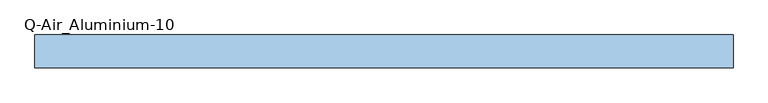
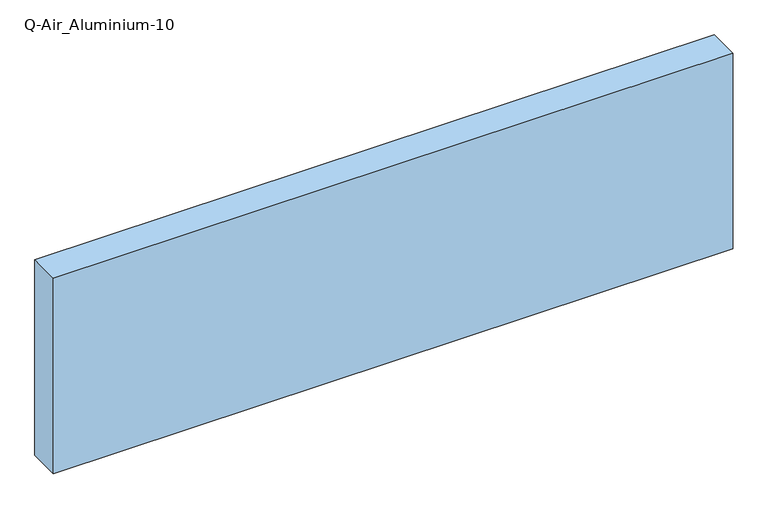
"""IFC4 building model written with IfcOpenShell, lengths in millimetres: window geometry, Q-Air_Aluminium-10."""

from ifc_helpers import new_model, si_unit, origin, origin_with_axes, place, context, project, spatial, polyline, outline, extrude, source, transform, mapped, element, save


def q_air_aluminium_10_d54c3b71(model_context):
    return source(origin(), model_context, "Body", "SweptSolid", [
        extrude(outline(polyline([(1336.3815633, 0.0), (1336.3815633, -127.0), (-1360.4815633, -127.0), (-1360.4815633, 0.0), (1336.3815633, 0.0)])), origin_with_axes(), (0.0, 0.0, 1.0), 820.0),
    ])


if __name__ == "__main__":
    model = new_model("IFC4")
    model_context = context("Model", 3, world=origin())
    ifc_project = project(units=[si_unit("LENGTHUNIT", "METRE", prefix="MILLI")], contexts=[model_context])
    site = spatial("IfcSite", under=ifc_project)
    building = spatial("IfcBuilding", under=site)
    placement = place(None, origin())
    q_air_aluminium_10_shape = q_air_aluminium_10_d54c3b71(model_context)
    element("IfcWindow", 1, ObjectType="Q-Air_Aluminium-10", at=placement, inside=building, context=model_context, shape_type="MappedRepresentation", body=[
        mapped(q_air_aluminium_10_shape, transform((0.0, 0.0, 0.0), x_axis=(1.0, 0.0, 0.0), y_axis=(0.0, 1.0, 0.0), z_axis=(0.0, 0.0, 1.0))),
    ])
    save(model, "model.ifc")
